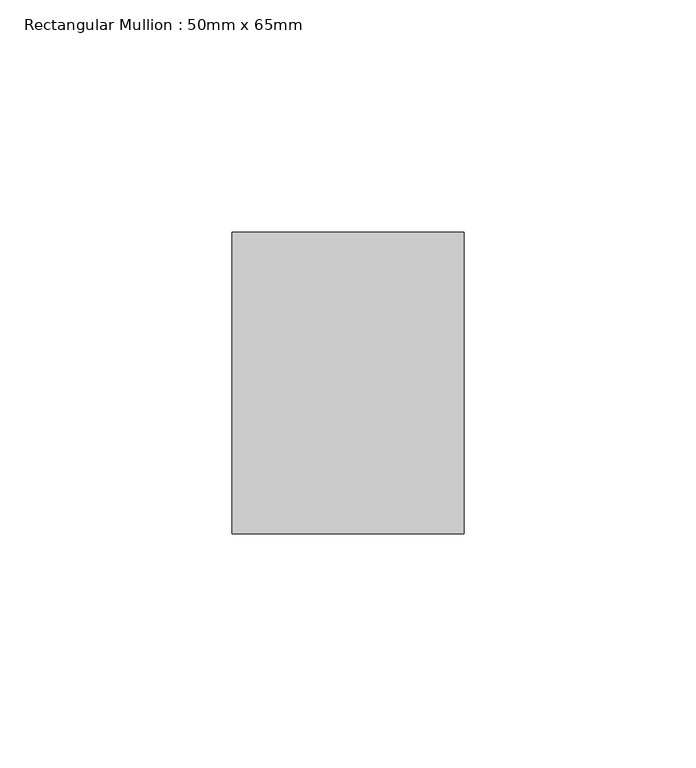
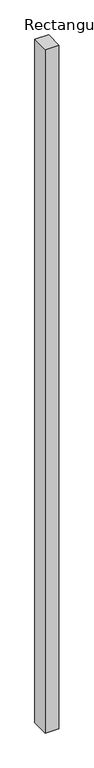
"""IFC4 building model written with IfcOpenShell, lengths in millimetres: member geometry, Rectangular Mullion : 50mm x 65mm."""

from ifc_helpers import new_model, si_unit, frame, origin, place, context, project, spatial, polyline, outline, extrude, source, transform, mapped, element, save


def rectangular_mullion_50mm_x_65mm_fe7beab4(model_context):
    return source(origin(), model_context, "Body", "SweptSolid", [
        extrude(outline(polyline([(25.0, 32.5), (25.0, -32.5), (-25.0, -32.5), (-25.0, 32.5), (25.0, 32.5)])), frame((0.0, 0.0, -2625.0752104), z_axis=(0.0, 0.0, 1.0), x_axis=(1.0, 0.0, 0.0)), (0.0, 0.0, 1.0), 2625.0752104),
    ])


if __name__ == "__main__":
    model = new_model("IFC4")
    model_context = context("Model", 3, world=origin())
    ifc_project = project(units=[si_unit("LENGTHUNIT", "METRE", prefix="MILLI")], contexts=[model_context])
    site = spatial("IfcSite", under=ifc_project)
    building = spatial("IfcBuilding", under=site)
    placement = place(None, origin())
    rectangular_mullion_50mm_x_65mm_shape = rectangular_mullion_50mm_x_65mm_fe7beab4(model_context)
    element("IfcMember", 1, ObjectType="Rectangular Mullion : 50mm x 65mm", at=placement, inside=building, context=model_context, shape_type="MappedRepresentation", body=[
        mapped(rectangular_mullion_50mm_x_65mm_shape, transform((0.0, 0.0, 0.0), x_axis=(1.0, 0.0, 0.0), y_axis=(0.0, 1.0, 0.0), z_axis=(0.0, 0.0, 1.0))),
    ])
    save(model, "model.ifc")
